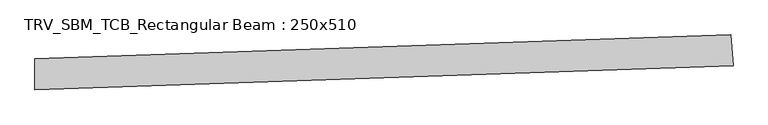
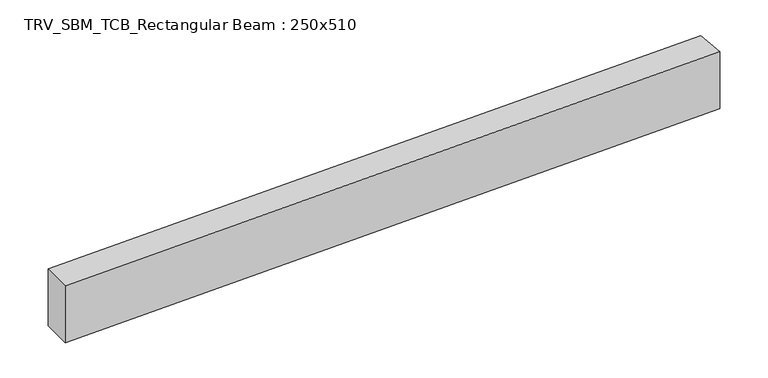
"""IFC4 building model written with IfcOpenShell, lengths in millimetres: beam geometry, TRV_SBM_TCB_Rectangular Beam : 250x510."""

from ifc_helpers import new_model, si_unit, point, frame, frame_2d, origin, place, context, project, spatial, polyline, circle_curve, trimmed, segment, composite_curve, outline, extrude, source, transform, mapped, element, save


def trv_sbm_tcb_rectangular_beam_250x510_50dda9b8(model_context):
    return source(origin(), model_context, "Body", "SweptSolid", [
        extrude(outline(composite_curve([segment(polyline([(5616.4089933, 318.6338571), (5633.626754, 69.2274644)]), True, "CONTINUOUS"), segment(trimmed(circle_curve(frame_2d((0.0, 81674.6435364)), 81799.6435364), [point((5633.626754, 69.2274644))], [point((-12.7211863, -124.9990108))], False, "CARTESIAN"), True, "CONTINUOUS"), segment(polyline([(-12.7211863, -124.9990108), (-12.6823072, 125.0009862)]), True, "CONTINUOUS"), segment(trimmed(circle_curve(frame_2d((0.0, 81674.6435364)), 81549.6435364), [point((-12.6823072, 125.0009862))], [point((5616.4089933, 318.6338571))], True, "CARTESIAN"), True, "CONTINUOUS")], self_intersect=False)), frame((0.0, 0.0, -255.0), z_axis=(0.0, 0.0, 1.0), x_axis=(1.0, 0.0, 0.0)), (0.0, 0.0, 1.0), 510.0),
    ])


if __name__ == "__main__":
    model = new_model("IFC4")
    model_context = context("Model", 3, world=origin())
    ifc_project = project(units=[si_unit("LENGTHUNIT", "METRE", prefix="MILLI")], contexts=[model_context])
    site = spatial("IfcSite", under=ifc_project)
    building = spatial("IfcBuilding", under=site)
    placement = place(None, origin())
    trv_sbm_tcb_rectangular_beam_250x510_shape = trv_sbm_tcb_rectangular_beam_250x510_50dda9b8(model_context)
    element("IfcBeam", 1, ObjectType="TRV_SBM_TCB_Rectangular Beam : 250x510", at=placement, inside=building, context=model_context, shape_type="MappedRepresentation", body=[
        mapped(trv_sbm_tcb_rectangular_beam_250x510_shape, transform((0.0, 0.0, 0.0), x_axis=(1.0, 0.0, 0.0), y_axis=(0.0, 1.0, 0.0), z_axis=(0.0, 0.0, 1.0))),
    ])
    save(model, "model.ifc")
